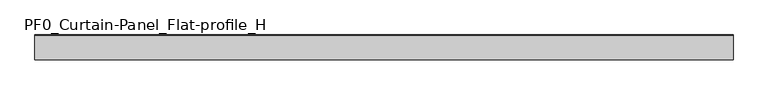
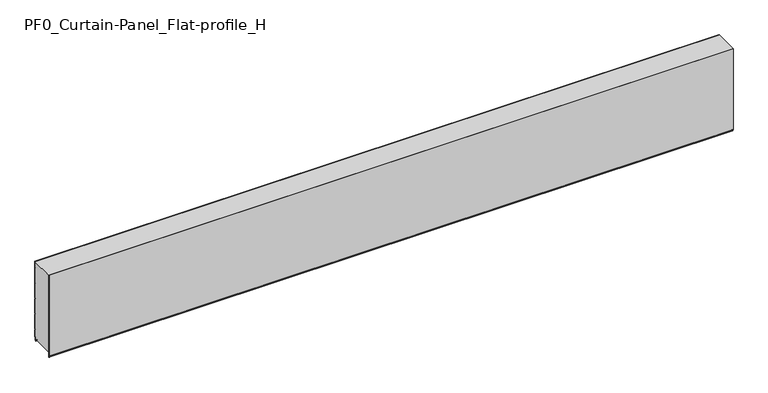
"""IFC4 building model written with IfcOpenShell, lengths in millimetres: plate geometry, PF0_Curtain-Panel_Flat-profile_H."""

from ifc_helpers import new_model, si_unit, point, frame, frame_2d, origin, place, context, project, spatial, polyline, circle_curve, trimmed, segment, composite_curve, outline, extrude, source, transform, mapped, element, save


def pf0_curtain_panel_flat_profile_h_20d6dba5(model_context):
    return source(origin(), model_context, "Body", "SweptSolid", [
        extrude(outline(composite_curve([segment(polyline([(-15.878557, 0.0), (-20.0, 0.0), (-20.0, 0.8), (-15.878557, 0.8)]), True, "CONTINUOUS"), segment(trimmed(circle_curve(frame_2d((-15.878557, -2.0)), 2.8), [point((-15.878557, 0.8))], [point((-13.1503208, -1.370137))], False, "CARTESIAN"), True, "CONTINUOUS"), segment(polyline([(-13.1503208, -1.370137), (-11.728236, -7.529863)]), True, "CONTINUOUS"), segment(trimmed(circle_curve(frame_2d((-9.0, -6.9)), 2.8), [point((-11.728236, -7.529863))], [point((-6.2, -6.9))], True, "CARTESIAN"), True, "CONTINUOUS"), segment(polyline([(-6.2, -6.9), (-6.2, 8.6)]), True, "CONTINUOUS"), segment(trimmed(circle_curve(frame_2d((-3.4, 8.6)), 2.8), [point((-6.2, 8.6))], [point((-3.4, 11.4))], False, "CARTESIAN"), True, "CONTINUOUS"), segment(polyline([(-3.4, 11.4), (-2.0, 11.4)]), True, "CONTINUOUS"), segment(trimmed(circle_curve(frame_2d((-2.0, 12.6)), 1.2), [point((-2.0, 11.4))], [point((-0.8, 12.6))], True, "CARTESIAN"), True, "CONTINUOUS"), segment(polyline([(-0.8, 12.6), (-0.8, 57.6856412), (-2.482606, 60.6), (-0.8, 63.5143588), (-0.8, 157.6856412), (-2.482606, 160.6), (-0.8, 163.5143588), (-0.8, 257.6856412), (-2.482606, 260.6), (-0.8, 263.5143588), (-0.8, 357.6856412), (-2.482606, 360.6), (-0.8, 363.5143588), (-0.8, 457.6856412), (-2.482606, 460.6), (-0.8, 463.5143588), (-0.8, 500.0), (0.0, 500.0), (0.0, 463.2999995), (-1.5588455, 460.6), (0.0, 457.9000005), (0.0, 363.2999995), (-1.5588455, 360.6), (0.0, 357.9000005), (0.0, 263.2999995), (-1.5588455, 260.6), (0.0, 257.9000005), (0.0, 163.2999995), (-1.5588455, 160.6), (0.0, 157.9000005), (0.0, 63.2999995), (-1.5588455, 60.6), (0.0, 57.9000005), (0.0, 12.6)]), True, "CONTINUOUS"), segment(trimmed(circle_curve(frame_2d((-2.0, 12.6)), 2.0), [point((0.0, 12.6))], [point((-2.0, 10.6))], False, "CARTESIAN"), True, "CONTINUOUS"), segment(polyline([(-2.0, 10.6), (-3.4, 10.6)]), True, "CONTINUOUS"), segment(trimmed(circle_curve(frame_2d((-3.4, 8.6)), 2.0), [point((-3.4, 10.6))], [point((-5.4, 8.6))], True, "CARTESIAN"), True, "CONTINUOUS"), segment(polyline([(-5.4, 8.6), (-5.4, -6.9)]), True, "CONTINUOUS"), segment(trimmed(circle_curve(frame_2d((-9.0, -6.9)), 3.6), [point((-5.4, -6.9))], [point((-12.5077322, -7.7098239))], False, "CARTESIAN"), True, "CONTINUOUS"), segment(polyline([(-12.5077322, -7.7098239), (-13.929817, -1.5500979)]), True, "CONTINUOUS"), segment(trimmed(circle_curve(frame_2d((-15.878557, -2.0)), 2.0), [point((-13.929817, -1.5500979))], [point((-15.878557, 0.0))], True, "CARTESIAN"), True, "CONTINUOUS")], self_intersect=False)), frame((-2100.0, 0.0, 0.0), z_axis=(1.0, 0.0, 0.0), x_axis=(0.0, 1.0, 0.0)), (0.0, 0.0, 1.0), 4200.0),
        extrude(outline(composite_curve([segment(polyline([(-140.0, 0.8), (-143.5, 0.8)]), True, "CONTINUOUS"), segment(trimmed(circle_curve(frame_2d((-143.5, -2.0)), 2.8), [point((-143.5, 0.8))], [point((-146.3, -2.0))], True, "CARTESIAN"), True, "CONTINUOUS"), segment(polyline([(-146.3, -2.0), (-146.3, -32.8700312)]), True, "CONTINUOUS"), segment(trimmed(circle_curve(frame_2d((-146.6, -32.8700312)), 0.3), [point((-146.3, -32.8700312))], [point((-146.9, -32.8700312))], False, "CARTESIAN"), True, "CONTINUOUS"), segment(polyline([(-146.9, -32.8700312), (-146.9, -26.9)]), True, "CONTINUOUS"), segment(trimmed(circle_curve(frame_2d((-148.6133333, -26.9)), 1.7133333), [point((-146.9, -26.9))], [point((-148.4, -25.2))], True, "CARTESIAN"), True, "CONTINUOUS"), segment(trimmed(circle_curve(frame_2d((-148.4, -24.4)), 0.8), [point((-148.4, -25.2))], [point((-149.2, -24.4))], False, "CARTESIAN"), True, "CONTINUOUS"), segment(polyline([(-149.2, -24.4), (-149.2, 500.0), (-0.8, 500.0), (-0.8, 463.5143588), (-2.482606, 460.6), (-0.8, 457.6856412), (-0.8, 363.5143588), (-2.482606, 360.6), (-0.8, 357.6856412), (-0.8, 263.5143588), (-2.482606, 260.6), (-0.8, 257.6856412), (-0.8, 163.5143588), (-2.482606, 160.6), (-0.8, 157.6856412), (-0.8, 63.5143588), (-2.482606, 60.6), (-0.8, 57.6856412), (-0.8, 12.6)]), True, "CONTINUOUS"), segment(trimmed(circle_curve(frame_2d((-2.0, 12.6)), 1.2), [point((-0.8, 12.6))], [point((-2.0, 11.4))], False, "CARTESIAN"), True, "CONTINUOUS"), segment(polyline([(-2.0, 11.4), (-3.4, 11.4)]), True, "CONTINUOUS"), segment(trimmed(circle_curve(frame_2d((-3.4, 8.6)), 2.8), [point((-3.4, 11.4))], [point((-6.2, 8.6))], True, "CARTESIAN"), True, "CONTINUOUS"), segment(polyline([(-6.2, 8.6), (-6.2, -6.9)]), True, "CONTINUOUS"), segment(trimmed(circle_curve(frame_2d((-9.0, -6.9)), 2.8), [point((-6.2, -6.9))], [point((-11.7282362, -7.529863))], False, "CARTESIAN"), True, "CONTINUOUS"), segment(polyline([(-11.7282362, -7.529863), (-13.1503208, -1.370137)]), True, "CONTINUOUS"), segment(trimmed(circle_curve(frame_2d((-15.878557, -2.0)), 2.8), [point((-13.1503208, -1.370137))], [point((-15.878557, 0.8))], True, "CARTESIAN"), True, "CONTINUOUS"), segment(polyline([(-15.878557, 0.8), (-20.0, 0.8), (-20.0, 0.0), (-140.0, 0.0), (-140.0, 0.8)]), True, "CONTINUOUS")], self_intersect=False)), frame((-2100.0, 0.0, 0.0), z_axis=(1.0, 0.0, 0.0), x_axis=(0.0, 1.0, 0.0)), (0.0, 0.0, 1.0), 4200.0),
        extrude(outline(composite_curve([segment(polyline([(-140.0, 0.0), (-143.5, 0.0)]), True, "CONTINUOUS"), segment(trimmed(circle_curve(frame_2d((-143.5, -2.0)), 2.0), [point((-143.5, 0.0))], [point((-145.5, -2.0))], True, "CARTESIAN"), True, "CONTINUOUS"), segment(polyline([(-145.5, -2.0), (-145.5, -33.0)]), True, "CONTINUOUS"), segment(trimmed(circle_curve(frame_2d((-146.5, -33.0)), 1.0), [point((-145.5, -33.0))], [point((-147.5, -33.0))], False, "CARTESIAN"), True, "CONTINUOUS"), segment(polyline([(-147.5, -33.0), (-147.5, -26.9)]), True, "CONTINUOUS"), segment(trimmed(circle_curve(frame_2d((-148.4, -26.9)), 0.9), [point((-147.5, -26.9))], [point((-148.4, -26.0))], True, "CARTESIAN"), True, "CONTINUOUS"), segment(trimmed(circle_curve(frame_2d((-148.4, -24.4)), 1.6), [point((-148.4, -26.0))], [point((-150.0, -24.4))], False, "CARTESIAN"), True, "CONTINUOUS"), segment(polyline([(-150.0, -24.4), (-150.0, 500.0), (-149.2, 500.0), (-149.2, -24.4)]), True, "CONTINUOUS"), segment(trimmed(circle_curve(frame_2d((-148.4, -24.4)), 0.8), [point((-149.2, -24.4))], [point((-148.4, -25.2))], True, "CARTESIAN"), True, "CONTINUOUS"), segment(trimmed(circle_curve(frame_2d((-148.6133333, -26.9)), 1.7133333), [point((-148.4, -25.2))], [point((-146.9, -26.9))], False, "CARTESIAN"), True, "CONTINUOUS"), segment(polyline([(-146.9, -26.9), (-146.9, -32.8700312)]), True, "CONTINUOUS"), segment(trimmed(circle_curve(frame_2d((-146.6, -32.8700312)), 0.3), [point((-146.9, -32.8700312))], [point((-146.3, -32.8700312))], True, "CARTESIAN"), True, "CONTINUOUS"), segment(polyline([(-146.3, -32.8700312), (-146.3, -2.0)]), True, "CONTINUOUS"), segment(trimmed(circle_curve(frame_2d((-143.5, -2.0)), 2.8), [point((-146.3, -2.0))], [point((-143.5, 0.8))], False, "CARTESIAN"), True, "CONTINUOUS"), segment(polyline([(-143.5, 0.8), (-140.0, 0.8), (-140.0, 0.0)]), True, "CONTINUOUS")], self_intersect=False)), frame((-2100.0, 0.0, 0.0), z_axis=(1.0, 0.0, 0.0), x_axis=(0.0, 1.0, 0.0)), (0.0, 0.0, 1.0), 4200.0),
    ])


if __name__ == "__main__":
    model = new_model("IFC4")
    model_context = context("Model", 3, world=origin())
    ifc_project = project(units=[si_unit("LENGTHUNIT", "METRE", prefix="MILLI")], contexts=[model_context])
    site = spatial("IfcSite", under=ifc_project)
    building = spatial("IfcBuilding", under=site)
    placement = place(None, origin())
    pf0_curtain_panel_flat_profile_h_shape = pf0_curtain_panel_flat_profile_h_20d6dba5(model_context)
    element("IfcPlate", 1, ObjectType="PF0_Curtain-Panel_Flat-profile_H", at=placement, inside=building, context=model_context, shape_type="MappedRepresentation", body=[
        mapped(pf0_curtain_panel_flat_profile_h_shape, transform((0.0, 0.0, 0.0), x_axis=(1.0, 0.0, 0.0), y_axis=(0.0, 1.0, 0.0), z_axis=(0.0, 0.0, 1.0))),
    ])
    save(model, "model.ifc")
